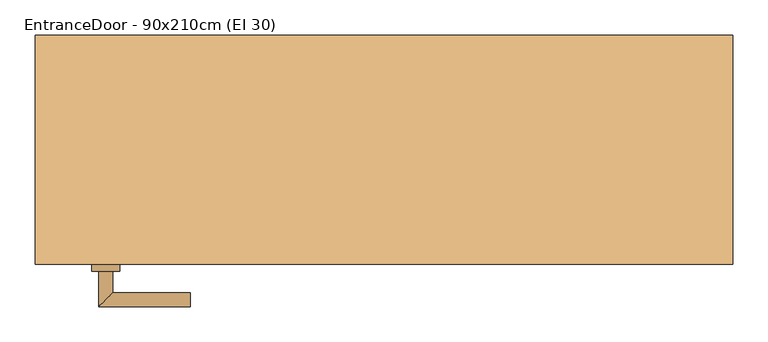
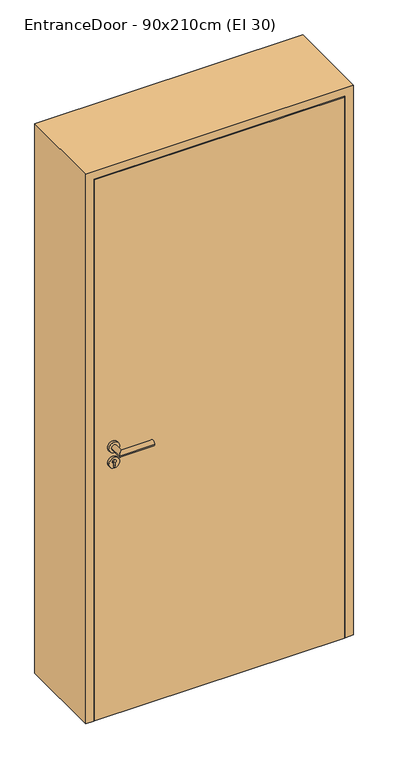
"""IFC4 building model written with IfcOpenShell, lengths in millimetres: door geometry, EntranceDoor - 90x210cm (EI 30)."""

from ifc_helpers import new_model, si_unit, point, frame, frame_2d, origin, origin_with_axes, place, context, project, spatial, polyline, circle_curve, ellipse_curve, trimmed, segment, composite_curve, outline, extrude, faceted_brep, source, transform, mapped, element, save
from ifc_brep_helpers import plane_surface, cylinder_surface, advanced_brep


def entrancedoor_90x210cm_ei_30_87fc1345(model_context):
    return source(origin(), model_context, "Body", "SolidModel", [
        extrude(outline(polyline([(461.0, -125.0), (-461.0, -125.0), (-461.0, -80.0), (461.0, -80.0), (461.0, -125.0)])), origin_with_axes(), (0.0, 0.0, 1.0), 2111.0),
        advanced_brep(
        [(-385.0, -135.0, 1050.0), (-405.0, -135.0, 1050.0), (-405.0, -185.0, 1050.0), (-385.0, -165.0, 1050.0), (-275.0, -165.0, 1050.0), (-275.0, -185.0, 1050.0)],
        [
            (0, 1, circle_curve(frame((-395.0, -135.0, 1050.0), z_axis=(0.0, 1.0, 0.0), x_axis=(-1.0, 0.0, 0.0)), 10.0)),
            (1, 0, circle_curve(frame((-395.0, -135.0, 1050.0), z_axis=(0.0, 1.0, 0.0), x_axis=(-1.0, 0.0, 0.0)), 10.0)),
            (1, 2),
            (2, 3, ellipse_curve(frame((-395.0, -175.0, 1050.0), z_axis=(-0.7071067811865531, 0.7071067811865419, 0.0), x_axis=(0.707106781186542, 0.707106781186553, 0.0)), 14.1421356, 10.0)),
            (3, 0),
            (3, 2, ellipse_curve(frame((-395.0, -175.0, 1050.0), z_axis=(-0.7071067811865531, 0.7071067811865419, 0.0), x_axis=(0.707106781186542, 0.707106781186553, 0.0)), 14.1421356, 10.0)),
            (4, 5, circle_curve(frame((-275.0, -175.0, 1050.0), z_axis=(1.0, 0.0, 0.0), x_axis=(0.0, -1.0, 0.0)), 10.0)),
            (5, 4, circle_curve(frame((-275.0, -175.0, 1050.0), z_axis=(1.0, 0.0, 0.0), x_axis=(0.0, -1.0, 0.0)), 10.0)),
            (2, 5),
            (4, 3),
        ],
        [
            plane_surface(frame((-395.0, -135.0, 1050.0), z_axis=(0.0, 1.0, 0.0), x_axis=(0.0, 0.0, 1.0))),
            cylinder_surface(frame((-395.0, -135.0, 1050.0), z_axis=(0.0, 1.0, 0.0), x_axis=(-1.0, 0.0, 0.0)), 10.0),
            plane_surface(frame((-275.0, -175.0, 1050.0), z_axis=(1.0, 0.0, 0.0), x_axis=(0.0, 0.0, 1.0))),
            cylinder_surface(frame((-395.0, -175.0, 1050.0), z_axis=(-1.0, 0.0, 0.0), x_axis=(0.0, -1.0, 0.0)), 10.0),
        ],
        [
            (0, [[1, 2]]),
            (1, [[3, 4, 5, -2]]),
            (1, [[-5, 6, -3, -1]]),
            (2, [[7, 8]]),
            (3, [[9, -7, 10, -4]]),
            (3, [[-10, -8, -9, -6]]),
        ],
    ),
        extrude(outline(composite_curve([segment(trimmed(circle_curve(frame_2d((990.0, -395.0)), 20.0), [point((990.0, -415.0))], [point((990.0, -375.0))], False, "CARTESIAN"), True, "CONTINUOUS"), segment(trimmed(circle_curve(frame_2d((990.0, -395.0)), 20.0), [point((990.0, -375.0))], [point((990.0, -415.0))], False, "CARTESIAN"), True, "CONTINUOUS")], self_intersect=False), holes=[composite_curve([segment(polyline([(976.4601385, -397.397268), (988.4749012, -397.397268)]), True, "CONTINUOUS"), segment(trimmed(circle_curve(frame_2d((995.0361633, -395.0)), 6.9854888), [point((988.4749012, -397.397268))], [point((988.4749012, -392.602732))], True, "CARTESIAN"), True, "CONTINUOUS"), segment(polyline([(988.4749012, -392.602732), (976.4601385, -392.602732)]), True, "CONTINUOUS"), segment(trimmed(circle_curve(frame_2d((976.4601385, -395.0)), 2.397268), [point((976.4601385, -392.602732))], [point((976.4601385, -397.397268))], True, "CARTESIAN"), True, "CONTINUOUS")], self_intersect=False)]), frame((0.0, -135.0, 0.0), z_axis=(0.0, 1.0, 0.0), x_axis=(0.0, 0.0, 1.0)), (0.0, 0.0, 1.0), 10.0),
        advanced_brep(
        [(-385.0, -135.0, 1050.0), (-405.0, -135.0, 1050.0), (-405.0, -185.0, 1050.0), (-385.0, -165.0, 1050.0), (-275.0, -165.0, 1050.0), (-275.0, -185.0, 1050.0)],
        [
            (0, 1, circle_curve(frame((-395.0, -135.0, 1050.0), z_axis=(0.0, 1.0, 0.0), x_axis=(-1.0, 0.0, 0.0)), 10.0)),
            (1, 0, circle_curve(frame((-395.0, -135.0, 1050.0), z_axis=(0.0, 1.0, 0.0), x_axis=(-1.0, 0.0, 0.0)), 10.0)),
            (1, 2),
            (2, 3, ellipse_curve(frame((-395.0, -175.0, 1050.0), z_axis=(-0.7071067811865537, 0.7071067811865414, 0.0), x_axis=(0.7071067811865414, 0.7071067811865536, 0.0)), 14.1421356, 10.0)),
            (3, 0),
            (3, 2, ellipse_curve(frame((-395.0, -175.0, 1050.0), z_axis=(-0.7071067811865537, 0.7071067811865414, 0.0), x_axis=(0.7071067811865414, 0.7071067811865536, 0.0)), 14.1421356, 10.0)),
            (4, 5, circle_curve(frame((-275.0, -175.0, 1050.0), z_axis=(1.0, 0.0, 0.0), x_axis=(0.0, -1.0, 0.0)), 10.0)),
            (5, 4, circle_curve(frame((-275.0, -175.0, 1050.0), z_axis=(1.0, 0.0, 0.0), x_axis=(0.0, -1.0, 0.0)), 10.0)),
            (2, 5),
            (4, 3),
        ],
        [
            plane_surface(frame((-395.0, -135.0, 1050.0), z_axis=(0.0, 1.0, 0.0), x_axis=(0.0, 0.0, 1.0))),
            cylinder_surface(frame((-395.0, -135.0, 1050.0), z_axis=(0.0, 1.0, 0.0), x_axis=(-1.0, 0.0, 0.0)), 10.0),
            plane_surface(frame((-275.0, -175.0, 1050.0), z_axis=(1.0, 0.0, 0.0), x_axis=(0.0, 0.0, 1.0))),
            cylinder_surface(frame((-395.0, -175.0, 1050.0), z_axis=(-1.0, 0.0, 0.0), x_axis=(0.0, -1.0, 0.0)), 10.0),
        ],
        [
            (0, [[1, 2]]),
            (1, [[3, 4, 5, -2]]),
            (1, [[-5, 6, -3, -1]]),
            (2, [[7, 8]]),
            (3, [[9, -7, 10, -4]]),
            (3, [[-10, -8, -9, -6]]),
        ],
    ),
        extrude(outline(composite_curve([segment(trimmed(circle_curve(frame_2d((1050.0, -395.0)), 20.0), [point((1050.0, -415.0))], [point((1050.0, -375.0))], False, "CARTESIAN"), True, "CONTINUOUS"), segment(trimmed(circle_curve(frame_2d((1050.0, -395.0)), 20.0), [point((1050.0, -375.0))], [point((1050.0, -415.0))], False, "CARTESIAN"), True, "CONTINUOUS")], self_intersect=False)), frame((0.0, -135.0, 0.0), z_axis=(0.0, 1.0, 0.0), x_axis=(0.0, 0.0, 1.0)), (0.0, 0.0, 1.0), 10.0),
        advanced_brep(
        [(-385.0, -70.0, 1050.0), (-405.0, -70.0, 1050.0), (-385.0, -40.0, 1050.0), (-405.0, -20.0, 1050.0), (-275.0, -40.0, 1050.0), (-275.0, -20.0, 1050.0)],
        [
            (0, 1, circle_curve(frame((-395.0, -70.0, 1050.0), z_axis=(0.0, -1.0, 0.0), x_axis=(-1.0, 0.0, 0.0)), 10.0)),
            (1, 0, circle_curve(frame((-395.0, -70.0, 1050.0), z_axis=(0.0, -1.0, 0.0), x_axis=(-1.0, 0.0, 0.0)), 10.0)),
            (0, 2),
            (2, 3, ellipse_curve(frame((-395.0, -30.0, 1050.0), z_axis=(-0.7071067811865486, -0.7071067811865464, 0.0), x_axis=(0.7071067811865464, -0.7071067811865488, 0.0)), 14.1421356, 10.0)),
            (3, 1),
            (3, 2, ellipse_curve(frame((-395.0, -30.0, 1050.0), z_axis=(-0.7071067811865486, -0.7071067811865464, 0.0), x_axis=(0.7071067811865464, -0.7071067811865488, 0.0)), 14.1421356, 10.0)),
            (4, 5, circle_curve(frame((-275.0, -30.0, 1050.0), z_axis=(1.0, 0.0, 0.0), x_axis=(0.0, 1.0, 0.0)), 10.0)),
            (5, 4, circle_curve(frame((-275.0, -30.0, 1050.0), z_axis=(1.0, 0.0, 0.0), x_axis=(0.0, 1.0, 0.0)), 10.0)),
            (2, 4),
            (5, 3),
        ],
        [
            plane_surface(frame((-395.0, -70.0, 1050.0), z_axis=(0.0, -1.0, 0.0), x_axis=(0.0, 0.0, 1.0))),
            cylinder_surface(frame((-395.0, -70.0, 1050.0), z_axis=(0.0, -1.0, 0.0), x_axis=(-1.0, 0.0, 0.0)), 10.0),
            plane_surface(frame((-275.0, -30.0, 1050.0), z_axis=(1.0, 0.0, 0.0), x_axis=(0.0, 0.0, 1.0))),
            cylinder_surface(frame((-395.0, -30.0, 1050.0), z_axis=(-1.0, 0.0, 0.0), x_axis=(0.0, 1.0, 0.0)), 10.0),
        ],
        [
            (0, [[1, 2]]),
            (1, [[-1, 3, 4, 5]]),
            (1, [[-2, -5, 6, -3]]),
            (2, [[7, 8]]),
            (3, [[-4, 9, -8, 10]]),
            (3, [[-6, -10, -7, -9]]),
        ],
    ),
        extrude(outline(composite_curve([segment(trimmed(circle_curve(frame_2d((990.0, -395.0)), 20.0), [point((990.0, -415.0))], [point((990.0, -375.0))], False, "CARTESIAN"), True, "CONTINUOUS"), segment(trimmed(circle_curve(frame_2d((990.0, -395.0)), 20.0), [point((990.0, -375.0))], [point((990.0, -415.0))], False, "CARTESIAN"), True, "CONTINUOUS")], self_intersect=False), holes=[composite_curve([segment(polyline([(976.4601385, -397.397268), (988.4749012, -397.397268)]), True, "CONTINUOUS"), segment(trimmed(circle_curve(frame_2d((995.0361633, -395.0)), 6.9854888), [point((988.4749012, -397.397268))], [point((988.4749012, -392.602732))], True, "CARTESIAN"), True, "CONTINUOUS"), segment(polyline([(988.4749012, -392.602732), (976.4601385, -392.602732)]), True, "CONTINUOUS"), segment(trimmed(circle_curve(frame_2d((976.4601385, -395.0)), 2.397268), [point((976.4601385, -392.602732))], [point((976.4601385, -397.397268))], True, "CARTESIAN"), True, "CONTINUOUS")], self_intersect=False)]), frame((0.0, -80.0, 0.0), z_axis=(0.0, 1.0, 0.0), x_axis=(0.0, 0.0, 1.0)), (0.0, 0.0, 1.0), 10.0),
        advanced_brep(
        [(-385.0, -70.0, 1050.0), (-405.0, -70.0, 1050.0), (-385.0, -40.0, 1050.0), (-405.0, -20.0, 1050.0), (-275.0, -40.0, 1050.0), (-275.0, -20.0, 1050.0)],
        [
            (0, 1, circle_curve(frame((-395.0, -70.0, 1050.0), z_axis=(0.0, -1.0, 0.0), x_axis=(-1.0, 0.0, 0.0)), 10.0)),
            (1, 0, circle_curve(frame((-395.0, -70.0, 1050.0), z_axis=(0.0, -1.0, 0.0), x_axis=(-1.0, 0.0, 0.0)), 10.0)),
            (0, 2),
            (2, 3, ellipse_curve(frame((-395.0, -30.0, 1050.0), z_axis=(-0.7071067811865491, -0.7071067811865459, 0.0), x_axis=(0.7071067811865458, -0.7071067811865492, 0.0)), 14.1421356, 10.0)),
            (3, 1),
            (3, 2, ellipse_curve(frame((-395.0, -30.0, 1050.0), z_axis=(-0.7071067811865491, -0.7071067811865459, 0.0), x_axis=(0.7071067811865458, -0.7071067811865492, 0.0)), 14.1421356, 10.0)),
            (4, 5, circle_curve(frame((-275.0, -30.0, 1050.0), z_axis=(1.0, 0.0, 0.0), x_axis=(0.0, 1.0, 0.0)), 10.0)),
            (5, 4, circle_curve(frame((-275.0, -30.0, 1050.0), z_axis=(1.0, 0.0, 0.0), x_axis=(0.0, 1.0, 0.0)), 10.0)),
            (2, 4),
            (5, 3),
        ],
        [
            plane_surface(frame((-395.0, -70.0, 1050.0), z_axis=(0.0, -1.0, 0.0), x_axis=(0.0, 0.0, 1.0))),
            cylinder_surface(frame((-395.0, -70.0, 1050.0), z_axis=(0.0, -1.0, 0.0), x_axis=(-1.0, 0.0, 0.0)), 10.0),
            plane_surface(frame((-275.0, -30.0, 1050.0), z_axis=(1.0, 0.0, 0.0), x_axis=(0.0, 0.0, 1.0))),
            cylinder_surface(frame((-395.0, -30.0, 1050.0), z_axis=(-1.0, 0.0, 0.0), x_axis=(0.0, 1.0, 0.0)), 10.0),
        ],
        [
            (0, [[1, 2]]),
            (1, [[-1, 3, 4, 5]]),
            (1, [[-2, -5, 6, -3]]),
            (2, [[7, 8]]),
            (3, [[-4, 9, -8, 10]]),
            (3, [[-6, -10, -7, -9]]),
        ],
    ),
        extrude(outline(composite_curve([segment(trimmed(circle_curve(frame_2d((1050.0, -395.0)), 20.0), [point((1050.0, -415.0))], [point((1050.0, -375.0))], False, "CARTESIAN"), True, "CONTINUOUS"), segment(trimmed(circle_curve(frame_2d((1050.0, -395.0)), 20.0), [point((1050.0, -375.0))], [point((1050.0, -415.0))], False, "CARTESIAN"), True, "CONTINUOUS")], self_intersect=False)), frame((0.0, -80.0, 0.0), z_axis=(0.0, 1.0, 0.0), x_axis=(0.0, 0.0, 1.0)), (0.0, 0.0, 1.0), 10.0),
        faceted_brep([(-465.0, -125.0, 0.0), (-495.0, -125.0, 0.0), (-495.0, 200.0, 0.0), (-450.0, 200.0, 0.0), (-450.0, -80.0, 0.0), (-465.0, -80.0, 0.0), (-465.0, -125.0, 2115.0), (465.0, -125.0, 2115.0), (465.0, -125.0, 0.0), (495.0, -125.0, 0.0), (495.0, -125.0, 2145.0), (-495.0, -125.0, 2145.0), (-495.0, 200.0, 2145.0), (495.0, 200.0, 2145.0), (495.0, 200.0, 0.0), (450.0, 200.0, 0.0), (450.0, 200.0, 2100.0), (-450.0, 200.0, 2100.0), (-450.0, -80.0, 2100.0), (450.0, -80.0, 2100.0), (450.0, -80.0, 0.0), (465.0, -80.0, 0.0), (465.0, -80.0, 2115.0), (-465.0, -80.0, 2115.0)], [[[0, 1, 2, 3, 4, 5]], [[0, 6, 7, 8, 9, 10, 11, 1]], [[1, 11, 12, 2]], [[2, 12, 13, 14, 15, 16, 17, 3]], [[3, 17, 18, 4]], [[4, 18, 19, 20, 21, 22, 23, 5]], [[5, 23, 6, 0]], [[22, 21, 8, 7]], [[8, 21, 20, 15, 14, 9]], [[10, 9, 14, 13]], [[16, 15, 20, 19]], [[11, 10, 13, 12]], [[17, 16, 19, 18]], [[23, 22, 7, 6]]]),
    ])


if __name__ == "__main__":
    model = new_model("IFC4")
    model_context = context("Model", 3, world=origin())
    ifc_project = project(units=[si_unit("LENGTHUNIT", "METRE", prefix="MILLI")], contexts=[model_context])
    site = spatial("IfcSite", under=ifc_project)
    building = spatial("IfcBuilding", under=site)
    placement = place(None, origin())
    entrancedoor_90x210cm_ei_30_shape = entrancedoor_90x210cm_ei_30_87fc1345(model_context)
    element("IfcDoor", 1, ObjectType="EntranceDoor - 90x210cm (EI 30)", at=placement, inside=building, context=model_context, shape_type="MappedRepresentation", body=[
        mapped(entrancedoor_90x210cm_ei_30_shape, transform((0.0, 0.0, 0.0), x_axis=(1.0, 0.0, 0.0), y_axis=(0.0, 1.0, 0.0), z_axis=(0.0, 0.0, 1.0))),
    ])
    save(model, "model.ifc")
